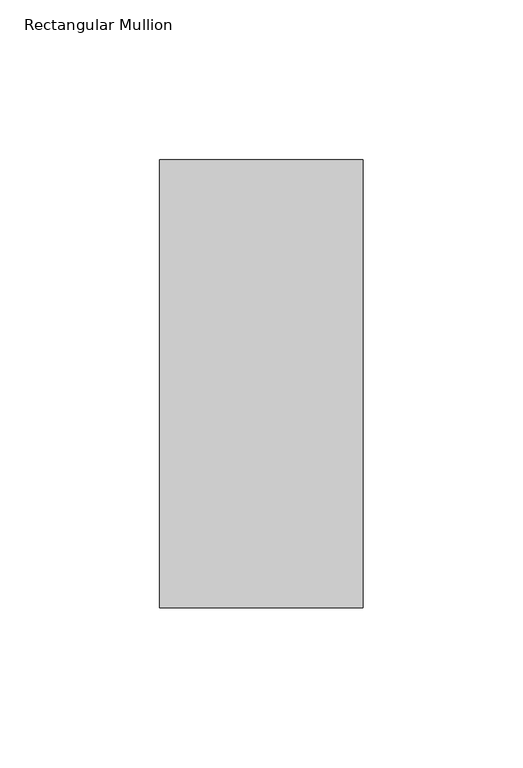
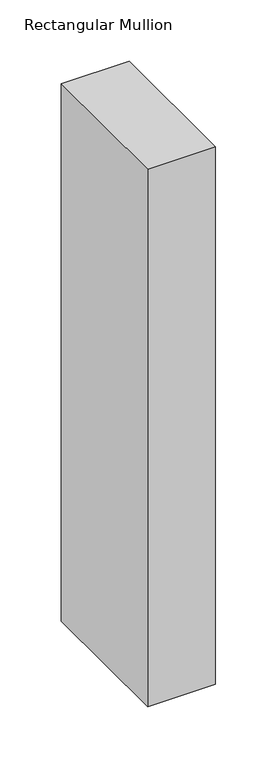
"""IFC4 building model written with IfcOpenShell, lengths in millimetres: member geometry, Rectangular Mullion."""

from ifc_helpers import new_model, si_unit, frame, origin, place, context, project, spatial, polyline, outline, extrude, source, transform, mapped, element, save


def rectangular_mullion_bec7803d(model_context):
    return source(origin(), model_context, "Body", "SweptSolid", [
        extrude(outline(polyline([(0.0, 190.7881317), (0.0, 50.8202784), (-63.5, 50.8202784), (-63.5, 190.7881317), (0.0, 190.7881317)])), frame((0.0, 0.0, -533.36825), z_axis=(0.0, 0.0, 1.0), x_axis=(1.0, 0.0, 0.0)), (0.0, 0.0, 1.0), 533.36825),
    ])


if __name__ == "__main__":
    model = new_model("IFC4")
    model_context = context("Model", 3, world=origin())
    ifc_project = project(units=[si_unit("LENGTHUNIT", "METRE", prefix="MILLI")], contexts=[model_context])
    site = spatial("IfcSite", under=ifc_project)
    building = spatial("IfcBuilding", under=site)
    placement = place(None, origin())
    rectangular_mullion_shape = rectangular_mullion_bec7803d(model_context)
    element("IfcMember", 1, ObjectType="Rectangular Mullion", at=placement, inside=building, context=model_context, shape_type="MappedRepresentation", body=[
        mapped(rectangular_mullion_shape, transform((0.0, 0.0, 0.0), x_axis=(1.0, 0.0, 0.0), y_axis=(0.0, 1.0, 0.0), z_axis=(0.0, 0.0, 1.0))),
    ])
    save(model, "model.ifc")
